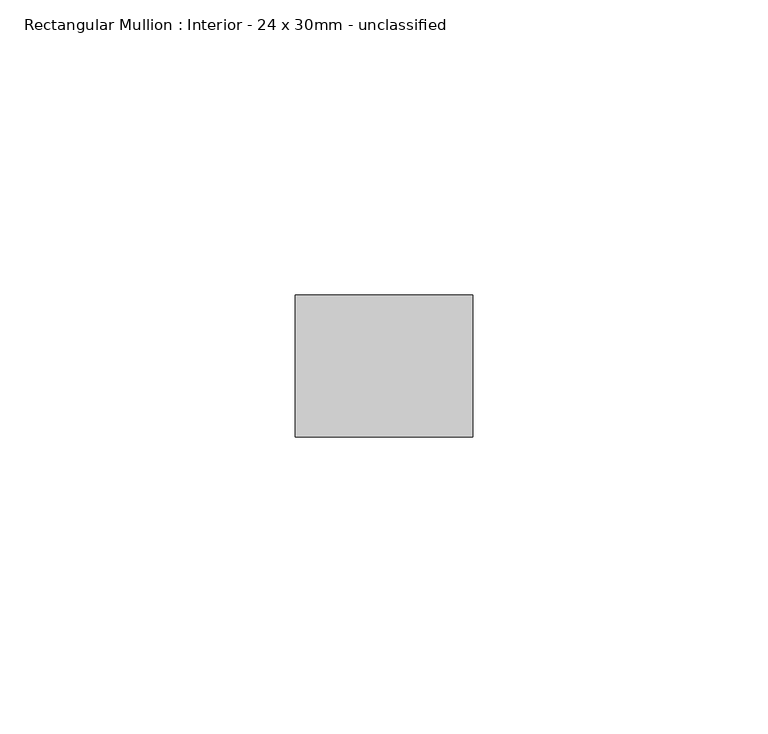
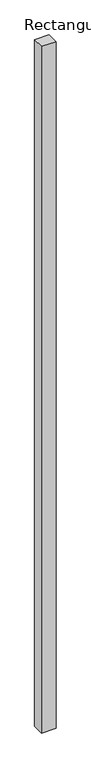
"""IFC4 building model written with IfcOpenShell, lengths in millimetres: member geometry, Rectangular Mullion : Interior - 24 x 30mm - unclassified."""

from ifc_helpers import new_model, si_unit, frame, origin, place, context, project, spatial, polyline, outline, extrude, source, transform, mapped, element, save


def rectangular_mullion_interior_24_x_30mm_unclassified_b511e3c4(model_context):
    return source(origin(), model_context, "Body", "SweptSolid", [
        extrude(outline(polyline([(0.0, 12.0), (0.0, -12.0), (-30.0, -12.0), (-30.0, 12.0), (0.0, 12.0)])), frame((0.0, 0.0, -1500.0000003), z_axis=(0.0, 0.0, 1.0), x_axis=(1.0, 0.0, 0.0)), (0.0, 0.0, 1.0), 1500.0000003),
    ])


if __name__ == "__main__":
    model = new_model("IFC4")
    model_context = context("Model", 3, world=origin())
    ifc_project = project(units=[si_unit("LENGTHUNIT", "METRE", prefix="MILLI")], contexts=[model_context])
    site = spatial("IfcSite", under=ifc_project)
    building = spatial("IfcBuilding", under=site)
    placement = place(None, origin())
    rectangular_mullion_interior_24_x_30mm_unclassified_shape = rectangular_mullion_interior_24_x_30mm_unclassified_b511e3c4(model_context)
    element("IfcMember", 1, ObjectType="Rectangular Mullion : Interior - 24 x 30mm - unclassified", at=placement, inside=building, context=model_context, shape_type="MappedRepresentation", body=[
        mapped(rectangular_mullion_interior_24_x_30mm_unclassified_shape, transform((0.0, 0.0, 0.0), x_axis=(1.0, 0.0, 0.0), y_axis=(0.0, 1.0, 0.0), z_axis=(0.0, 0.0, 1.0))),
    ])
    save(model, "model.ifc")
